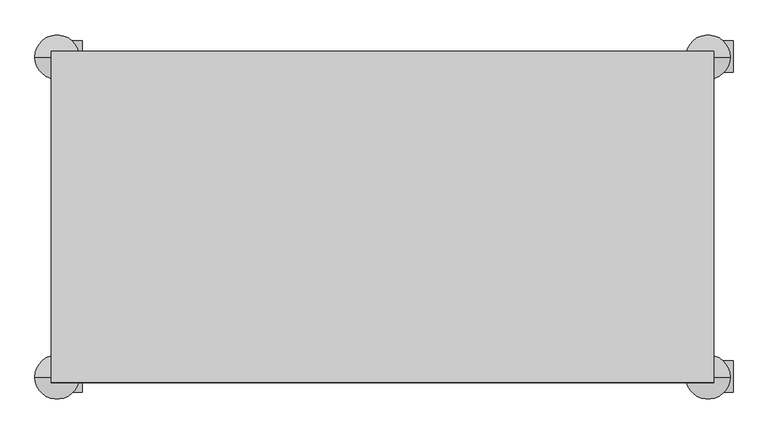
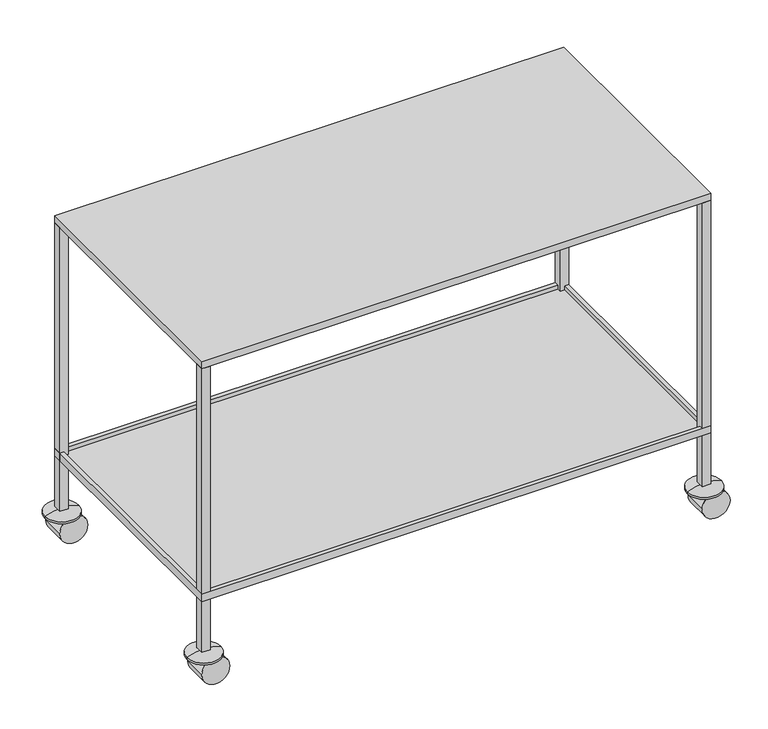
"""IFC4 building model written with IfcOpenShell, lengths in millimetres: proxy geometry."""

from ifc_helpers import new_model, si_unit, point, frame, frame_2d, origin, place, context, project, spatial, polyline, circle_curve, ellipse_curve, trimmed, segment, composite_curve, outline, extrude, faceted_brep, source, transform, mapped, element, save
from ifc_brep_helpers import plane_surface, cylinder_surface, revolved_surface, advanced_brep


def specialty_equipment_9815822c(model_context):
    return source(origin(), model_context, "Body", "SolidModel", [
        faceted_brep([(590.0, -290.0, 210.0), (590.0, 290.0, 210.0), (-590.0, 290.0, 210.0), (-590.0, -290.0, 210.0), (600.0, 300.0, 202.0), (600.0, -300.0, 202.0), (-600.0, -300.0, 202.0), (-600.0, 300.0, 202.0), (-600.0, 300.0, 220.0), (600.0, 300.0, 220.0), (-600.0, -300.0, 220.0), (600.0, -300.0, 220.0), (590.0, 290.0, 220.0), (590.0, -290.0, 220.0), (-590.0, -290.0, 220.0), (-590.0, 290.0, 220.0)], [[[0, 1, 2, 3]], [[4, 5, 6, 7]], [[4, 7, 8, 9]], [[8, 7, 6, 10]], [[10, 6, 5, 11]], [[11, 5, 4, 9]], [[9, 8, 10, 11], [12, 13, 14, 15]], [[13, 12, 1, 0]], [[14, 13, 0, 3]], [[15, 14, 3, 2]], [[12, 15, 2, 1]]]),
        advanced_brep(
        [(590.0, 290.0, 75.0639573), (630.0, 290.0, 67.1117392), (550.0, 290.0, 67.1117392), (550.0, 290.0, 62.1117392), (630.0, 290.0, 62.1117392), (590.0, 290.0, 62.1117392)],
        [
            (0, 1, circle_curve(frame((590.0, 290.0, -29.5130142), z_axis=(0.0, 1.0, 0.0), x_axis=(1.0, 0.0, 0.0)), 104.5769715)),
            (1, 2, circle_curve(frame((590.0, 290.0, 67.1117392), z_axis=(0.0, 0.0, 1.0), x_axis=(1.0, 0.0, 0.0)), 40.0)),
            (2, 0, circle_curve(frame((590.0, 290.0, -29.5130142), z_axis=(0.0, 1.0, 0.0), x_axis=(-1.0, 0.0, 0.0)), 104.5769715)),
            (2, 1, circle_curve(frame((590.0, 290.0, 67.1117392), z_axis=(0.0, 0.0, 1.0), x_axis=(1.0, 0.0, 0.0)), 40.0)),
            (3, 4, circle_curve(frame((590.0, 290.0, 62.1117392), z_axis=(0.0, 0.0, -1.0), x_axis=(1.0, 0.0, 0.0)), 40.0)),
            (4, 5),
            (5, 3),
            (4, 3, circle_curve(frame((590.0, 290.0, 62.1117392), z_axis=(0.0, 0.0, -1.0), x_axis=(1.0, 0.0, 0.0)), 40.0)),
            (1, 4),
            (3, 2),
        ],
        [
            revolved_surface(trimmed(ellipse_curve(frame((590.0, 290.0, -29.5130142), z_axis=(0.0, -1.0, 0.0), x_axis=(1.0, 0.0, 0.0)), 104.5769715, 104.5769715), [point((630.0, 290.0, 67.1117392))], [point((590.0, 290.0, 75.0639573))], True, "CARTESIAN"), (590.0, 290.0, 68.5878483), (0.0, 0.0, 1.0)),
            plane_surface(frame((590.0, 290.0, 62.1117392), z_axis=(0.0, 0.0, -1.0), x_axis=(1.0, 0.0, 0.0))),
            cylinder_surface(frame((590.0, 290.0, 68.5878483), z_axis=(0.0, 0.0, 1.0), x_axis=(1.0, 0.0, 0.0)), 40.0),
        ],
        [
            (0, [[1, 2, 3]]),
            (0, [[-3, 4, -1]]),
            (1, [[5, 6, 7]]),
            (1, [[8, -7, -6]]),
            (2, [[-2, 9, -5, 10]]),
            (2, [[-4, -10, -8, -9]]),
        ],
    ),
        extrude(outline(composite_curve([segment(trimmed(circle_curve(frame_2d((33.0, 602.5)), 33.0), [point((33.0, 569.5))], [point((33.0, 635.5))], False, "CARTESIAN"), True, "CONTINUOUS"), segment(trimmed(circle_curve(frame_2d((33.0, 602.5)), 33.0), [point((33.0, 635.5))], [point((33.0, 569.5))], False, "CARTESIAN"), True, "CONTINUOUS")], self_intersect=False)), frame((0.0, 262.1790201, 0.0), z_axis=(0.0, 1.0, 0.0), x_axis=(0.0, 0.0, 1.0)), (0.0, 0.0, 1.0), 57.2244273),
        advanced_brep(
        [(-590.0, 290.0, 75.0639573), (-550.0, 290.0, 67.1117392), (-630.0, 290.0, 67.1117392), (-630.0, 290.0, 62.1117392), (-550.0, 290.0, 62.1117392), (-590.0, 290.0, 62.1117392)],
        [
            (0, 1, circle_curve(frame((-590.0, 290.0, -29.5130142), z_axis=(0.0, 1.0, 0.0), x_axis=(1.0, 0.0, 0.0)), 104.5769715)),
            (1, 2, circle_curve(frame((-590.0, 290.0, 67.1117392), z_axis=(0.0, 0.0, 1.0), x_axis=(1.0, 0.0, 0.0)), 40.0)),
            (2, 0, circle_curve(frame((-590.0, 290.0, -29.5130142), z_axis=(0.0, 1.0, 0.0), x_axis=(-1.0, 0.0, 0.0)), 104.5769715)),
            (2, 1, circle_curve(frame((-590.0, 290.0, 67.1117392), z_axis=(0.0, 0.0, 1.0), x_axis=(1.0, 0.0, 0.0)), 40.0)),
            (3, 4, circle_curve(frame((-590.0, 290.0, 62.1117392), z_axis=(0.0, 0.0, -1.0), x_axis=(1.0, 0.0, 0.0)), 40.0)),
            (4, 5),
            (5, 3),
            (4, 3, circle_curve(frame((-590.0, 290.0, 62.1117392), z_axis=(0.0, 0.0, -1.0), x_axis=(1.0, 0.0, 0.0)), 40.0)),
            (1, 4),
            (3, 2),
        ],
        [
            revolved_surface(trimmed(ellipse_curve(frame((-590.0, 290.0, -29.5130142), z_axis=(0.0, -1.0, 0.0), x_axis=(1.0, 0.0, 0.0)), 104.5769715, 104.5769715), [point((-550.0, 290.0, 67.1117392))], [point((-590.0, 290.0, 75.0639573))], True, "CARTESIAN"), (-590.0, 290.0, 68.5878483), (0.0, 0.0, 1.0)),
            plane_surface(frame((-590.0, 290.0, 62.1117392), z_axis=(0.0, 0.0, -1.0), x_axis=(1.0, 0.0, 0.0))),
            cylinder_surface(frame((-590.0, 290.0, 68.5878483), z_axis=(0.0, 0.0, 1.0), x_axis=(1.0, 0.0, 0.0)), 40.0),
        ],
        [
            (0, [[1, 2, 3]]),
            (0, [[-3, 4, -1]]),
            (1, [[5, 6, 7]]),
            (1, [[8, -7, -6]]),
            (2, [[-2, 9, -5, 10]]),
            (2, [[-4, -10, -8, -9]]),
        ],
    ),
        extrude(outline(composite_curve([segment(trimmed(circle_curve(frame_2d((33.0, -577.5)), 33.0), [point((33.0, -610.5))], [point((33.0, -544.5))], False, "CARTESIAN"), True, "CONTINUOUS"), segment(trimmed(circle_curve(frame_2d((33.0, -577.5)), 33.0), [point((33.0, -544.5))], [point((33.0, -610.5))], False, "CARTESIAN"), True, "CONTINUOUS")], self_intersect=False)), frame((0.0, 262.1790201, 0.0), z_axis=(0.0, 1.0, 0.0), x_axis=(0.0, 0.0, 1.0)), (0.0, 0.0, 1.0), 57.2244273),
        advanced_brep(
        [(590.0, -290.0, 75.0639573), (630.0, -290.0, 67.1117392), (550.0, -290.0, 67.1117392), (550.0, -290.0, 62.1117392), (630.0, -290.0, 62.1117392), (590.0, -290.0, 62.1117392)],
        [
            (0, 1, circle_curve(frame((590.0, -290.0, -29.5130142), z_axis=(0.0, 1.0, 0.0), x_axis=(1.0, 0.0, 0.0)), 104.5769715)),
            (1, 2, circle_curve(frame((590.0, -290.0, 67.1117392), z_axis=(0.0, 0.0, 1.0), x_axis=(1.0, 0.0, 0.0)), 40.0)),
            (2, 0, circle_curve(frame((590.0, -290.0, -29.5130142), z_axis=(0.0, 1.0, 0.0), x_axis=(-1.0, 0.0, 0.0)), 104.5769715)),
            (2, 1, circle_curve(frame((590.0, -290.0, 67.1117392), z_axis=(0.0, 0.0, 1.0), x_axis=(1.0, 0.0, 0.0)), 40.0)),
            (3, 4, circle_curve(frame((590.0, -290.0, 62.1117392), z_axis=(0.0, 0.0, -1.0), x_axis=(1.0, 0.0, 0.0)), 40.0)),
            (4, 5),
            (5, 3),
            (4, 3, circle_curve(frame((590.0, -290.0, 62.1117392), z_axis=(0.0, 0.0, -1.0), x_axis=(1.0, 0.0, 0.0)), 40.0)),
            (1, 4),
            (3, 2),
        ],
        [
            revolved_surface(trimmed(ellipse_curve(frame((590.0, -290.0, -29.5130142), z_axis=(0.0, -1.0, 0.0), x_axis=(1.0, 0.0, 0.0)), 104.5769715, 104.5769715), [point((630.0, -290.0, 67.1117392))], [point((590.0, -290.0, 75.0639573))], True, "CARTESIAN"), (590.0, -290.0, 68.5878483), (0.0, 0.0, 1.0)),
            plane_surface(frame((590.0, -290.0, 62.1117392), z_axis=(0.0, 0.0, -1.0), x_axis=(1.0, 0.0, 0.0))),
            cylinder_surface(frame((590.0, -290.0, 68.5878483), z_axis=(0.0, 0.0, 1.0), x_axis=(1.0, 0.0, 0.0)), 40.0),
        ],
        [
            (0, [[1, 2, 3]]),
            (0, [[-3, 4, -1]]),
            (1, [[5, 6, 7]]),
            (1, [[8, -7, -6]]),
            (2, [[-2, 9, -5, 10]]),
            (2, [[-4, -10, -8, -9]]),
        ],
    ),
        extrude(outline(composite_curve([segment(trimmed(circle_curve(frame_2d((33.0, 602.5)), 33.0), [point((33.0, 569.5))], [point((33.0, 635.5))], False, "CARTESIAN"), True, "CONTINUOUS"), segment(trimmed(circle_curve(frame_2d((33.0, 602.5)), 33.0), [point((33.0, 635.5))], [point((33.0, 569.5))], False, "CARTESIAN"), True, "CONTINUOUS")], self_intersect=False)), frame((0.0, -317.8209799, 0.0), z_axis=(0.0, 1.0, 0.0), x_axis=(0.0, 0.0, 1.0)), (0.0, 0.0, 1.0), 57.2244273),
        advanced_brep(
        [(-590.0, -290.0, 75.0639573), (-550.0, -290.0, 67.1117392), (-630.0, -290.0, 67.1117392), (-630.0, -290.0, 62.1117392), (-550.0, -290.0, 62.1117392), (-590.0, -290.0, 62.1117392)],
        [
            (0, 1, circle_curve(frame((-590.0, -290.0, -29.5130142), z_axis=(0.0, 1.0, 0.0), x_axis=(1.0, 0.0, 0.0)), 104.5769715)),
            (1, 2, circle_curve(frame((-590.0, -290.0, 67.1117392), z_axis=(0.0, 0.0, 1.0), x_axis=(1.0, 0.0, 0.0)), 40.0)),
            (2, 0, circle_curve(frame((-590.0, -290.0, -29.5130142), z_axis=(0.0, 1.0, 0.0), x_axis=(-1.0, 0.0, 0.0)), 104.5769715)),
            (2, 1, circle_curve(frame((-590.0, -290.0, 67.1117392), z_axis=(0.0, 0.0, 1.0), x_axis=(1.0, 0.0, 0.0)), 40.0)),
            (3, 4, circle_curve(frame((-590.0, -290.0, 62.1117392), z_axis=(0.0, 0.0, -1.0), x_axis=(1.0, 0.0, 0.0)), 40.0)),
            (4, 5),
            (5, 3),
            (4, 3, circle_curve(frame((-590.0, -290.0, 62.1117392), z_axis=(0.0, 0.0, -1.0), x_axis=(1.0, 0.0, 0.0)), 40.0)),
            (1, 4),
            (3, 2),
        ],
        [
            revolved_surface(trimmed(ellipse_curve(frame((-590.0, -290.0, -29.5130142), z_axis=(0.0, -1.0, 0.0), x_axis=(1.0, 0.0, 0.0)), 104.5769715, 104.5769715), [point((-550.0, -290.0, 67.1117392))], [point((-590.0, -290.0, 75.0639573))], True, "CARTESIAN"), (-590.0, -290.0, 68.5878483), (0.0, 0.0, 1.0)),
            plane_surface(frame((-590.0, -290.0, 62.1117392), z_axis=(0.0, 0.0, -1.0), x_axis=(1.0, 0.0, 0.0))),
            cylinder_surface(frame((-590.0, -290.0, 68.5878483), z_axis=(0.0, 0.0, 1.0), x_axis=(1.0, 0.0, 0.0)), 40.0),
        ],
        [
            (0, [[1, 2, 3]]),
            (0, [[-3, 4, -1]]),
            (1, [[5, 6, 7]]),
            (1, [[8, -7, -6]]),
            (2, [[-2, 9, -5, 10]]),
            (2, [[-4, -10, -8, -9]]),
        ],
    ),
        extrude(outline(composite_curve([segment(trimmed(circle_curve(frame_2d((33.0, -577.5)), 33.0), [point((33.0, -610.5))], [point((33.0, -544.5))], False, "CARTESIAN"), True, "CONTINUOUS"), segment(trimmed(circle_curve(frame_2d((33.0, -577.5)), 33.0), [point((33.0, -544.5))], [point((33.0, -610.5))], False, "CARTESIAN"), True, "CONTINUOUS")], self_intersect=False)), frame((0.0, -317.8209799, 0.0), z_axis=(0.0, 1.0, 0.0), x_axis=(0.0, 0.0, 1.0)), (0.0, 0.0, 1.0), 57.2244273),
        extrude(outline(polyline([(-580.0, -300.0), (-600.0, -300.0), (-600.0, -280.0), (-580.0, -280.0), (-580.0, -300.0)])), frame((0.0, 0.0, 75.0639573), z_axis=(0.0, 0.0, 1.0), x_axis=(1.0, 0.0, 0.0)), (0.0, 0.0, 1.0), 706.9360427),
        extrude(outline(polyline([(-580.0, 280.0), (-600.0, 280.0), (-600.0, 300.0), (-580.0, 300.0), (-580.0, 280.0)])), frame((0.0, 0.0, 75.0639573), z_axis=(0.0, 0.0, 1.0), x_axis=(1.0, 0.0, 0.0)), (0.0, 0.0, 1.0), 706.9360427),
        extrude(outline(polyline([(580.0, -300.0), (580.0, -280.0), (600.0, -280.0), (600.0, -300.0), (580.0, -300.0)])), frame((0.0, 0.0, 75.0639573), z_axis=(0.0, 0.0, 1.0), x_axis=(1.0, 0.0, 0.0)), (0.0, 0.0, 1.0), 706.9360427),
        extrude(outline(polyline([(580.0, 280.0), (580.0, 300.0), (600.0, 300.0), (600.0, 280.0), (580.0, 280.0)])), frame((0.0, 0.0, 75.0639573), z_axis=(0.0, 0.0, 1.0), x_axis=(1.0, 0.0, 0.0)), (0.0, 0.0, 1.0), 706.9360427),
        extrude(outline(polyline([(600.0, 300.0), (600.0, -300.0), (-600.0, -300.0), (-600.0, 300.0), (600.0, 300.0)])), frame((0.0, 0.0, 782.0), z_axis=(0.0, 0.0, 1.0), x_axis=(1.0, 0.0, 0.0)), (0.0, 0.0, 1.0), 18.0),
    ])


if __name__ == "__main__":
    model = new_model("IFC4")
    model_context = context("Model", 3, world=origin())
    ifc_project = project(units=[si_unit("LENGTHUNIT", "METRE", prefix="MILLI")], contexts=[model_context])
    site = spatial("IfcSite", under=ifc_project)
    building = spatial("IfcBuilding", under=site)
    placement = place(None, origin())
    specialty_equipment_shape = specialty_equipment_9815822c(model_context)
    element("IfcBuildingElementProxy", 1, Name="Specialty Equipment", at=placement, inside=building, context=model_context, shape_type="MappedRepresentation", body=[
        mapped(specialty_equipment_shape, transform((0.0, 0.0, 0.0), x_axis=(1.0, 0.0, 0.0), y_axis=(0.0, 1.0, 0.0), z_axis=(0.0, 0.0, 1.0))),
    ])
    save(model, "model.ifc")
